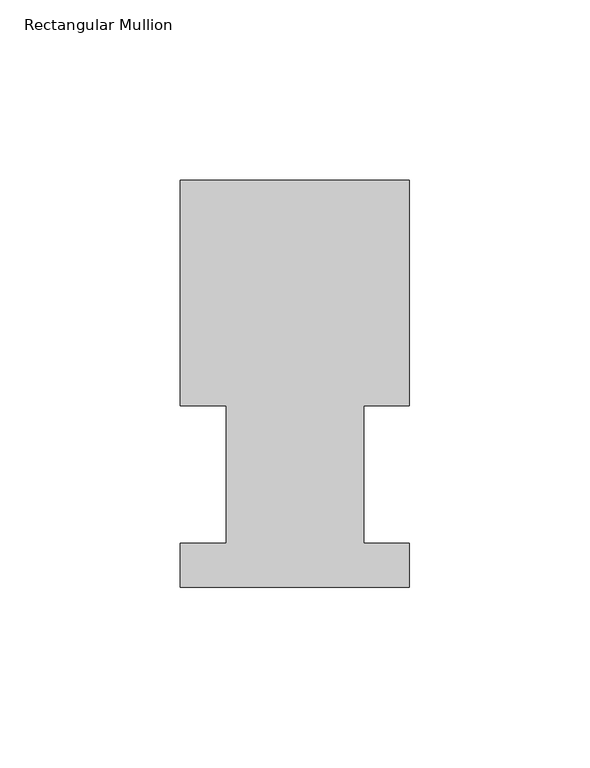
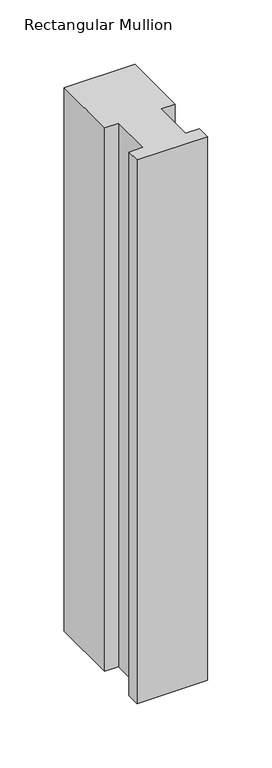
"""IFC4 building model written with IfcOpenShell, lengths in millimetres: member geometry, Rectangular Mullion."""

from ifc_helpers import new_model, si_unit, frame, origin, place, context, project, spatial, polyline, outline, extrude, source, transform, mapped, element, save


def rectangular_mullion_6f662c9f(model_context):
    return source(origin(), model_context, "Body", "SweptSolid", [
        extrude(outline(polyline([(-63.5368106, 52.5859375), (-63.5368106, 115.0699375), (0.0, 115.0699375), (0.0, 52.5859375), (-12.602764, 52.5859375), (-12.602764, 14.4858895), (0.0, 14.4858895), (0.0, 2.1909696), (-63.5, 2.1909696), (-63.5, 14.4859413), (-50.7405803, 14.4859413), (-50.7405803, 52.5859375), (-63.5368106, 52.5859375)])), frame((0.0, 0.0, -515.6601637), z_axis=(0.0, 0.0, 1.0), x_axis=(1.0, 0.0, 0.0)), (0.0, 0.0, 1.0), 515.6601637),
    ])


if __name__ == "__main__":
    model = new_model("IFC4")
    model_context = context("Model", 3, world=origin())
    ifc_project = project(units=[si_unit("LENGTHUNIT", "METRE", prefix="MILLI")], contexts=[model_context])
    site = spatial("IfcSite", under=ifc_project)
    building = spatial("IfcBuilding", under=site)
    placement = place(None, origin())
    rectangular_mullion_shape = rectangular_mullion_6f662c9f(model_context)
    element("IfcMember", 1, ObjectType="Rectangular Mullion", at=placement, inside=building, context=model_context, shape_type="MappedRepresentation", body=[
        mapped(rectangular_mullion_shape, transform((0.0, 0.0, 0.0), x_axis=(1.0, 0.0, 0.0), y_axis=(0.0, 1.0, 0.0), z_axis=(0.0, 0.0, 1.0))),
    ])
    save(model, "model.ifc")
